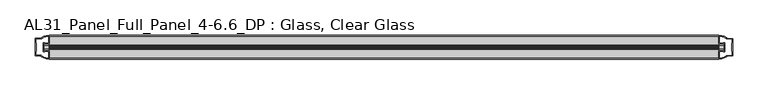
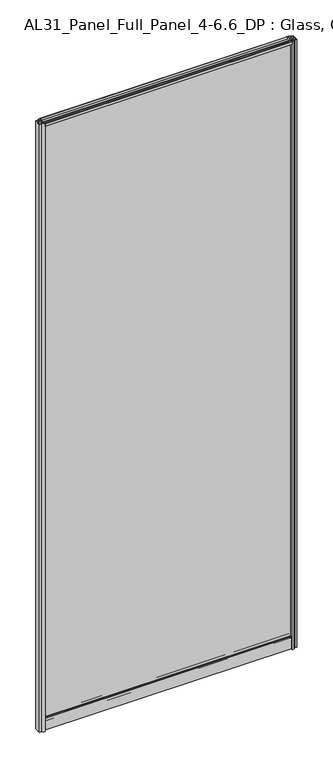
"""IFC4 building model written with IfcOpenShell, lengths in millimetres: plate geometry, AL31_Panel_Full_Panel_4-6.6_DP : Glass, Clear Glass."""

from ifc_helpers import new_model, si_unit, point, frame, frame_2d, origin, origin_with_axes, place, context, project, spatial, polyline, circle_curve, trimmed, segment, composite_curve, outline, extrude, source, transform, mapped, element, save


def al31_panel_full_panel_4_6_6_dp_glass_clear_glass_63db6cf2(model_context):
    return source(origin(), model_context, "Body", "SweptSolid", [
        extrude(outline(composite_curve([segment(trimmed(circle_curve(frame_2d((-19.957, 2461.8572926)), 3.0), [point((-18.457, 2464.4553688))], [point((-17.4851586, 2460.1572926))], False, "CARTESIAN"), True, "CONTINUOUS"), segment(polyline([(-17.4851586, 2460.1572926), (-4.157, 2460.1572926), (-4.157, 2469.5572926), (-2.857, 2469.5572926), (-2.857, 2459.0572926), (-13.1545312, 2459.0572926), (-13.1545312, 2458.2572926), (-13.6601218, 2456.3357964), (-13.6601218, 2451.6572926), (-14.857, 2451.6572926), (-14.857, 2456.9912672), (-14.357, 2457.8572926), (-14.357, 2459.0572926), (-25.357, 2459.0572926), (-25.357, 2457.8572926), (-24.857, 2456.9912672), (-24.857, 2451.6572926), (-26.0538782, 2451.6572926), (-26.0538782, 2456.3357964), (-26.5594688, 2458.2572926), (-26.5594688, 2459.0572926), (-36.857, 2459.0572926), (-36.857, 2469.5572926), (-35.557, 2469.5572926), (-35.557, 2460.1572926), (-22.4288414, 2460.1572926)]), True, "CONTINUOUS"), segment(trimmed(circle_curve(frame_2d((-19.957, 2461.8572926)), 3.0), [point((-22.4288414, 2460.1572926))], [point((-21.457, 2464.4553688))], False, "CARTESIAN"), True, "CONTINUOUS"), segment(polyline([(-21.457, 2464.4553688), (-20.907, 2463.5027409)]), True, "CONTINUOUS"), segment(trimmed(circle_curve(frame_2d((-19.957, 2461.8572926)), 1.9), [point((-20.907, 2463.5027409))], [point((-19.007, 2463.5027409))], True, "CARTESIAN"), True, "CONTINUOUS"), segment(polyline([(-19.007, 2463.5027409), (-18.457, 2464.4553688)]), True, "CONTINUOUS")], self_intersect=False)), frame((-475.0, 0.0, 0.0), z_axis=(1.0, 0.0, 0.0), x_axis=(0.0, 1.0, 0.0)), (0.0, 0.0, 1.0), 950.0),
        extrude(outline(composite_curve([segment(polyline([(-11.457, 35.8), (-28.257, 35.8)]), True, "CONTINUOUS"), segment(trimmed(circle_curve(frame_2d((-28.257, 34.8)), 1.0), [point((-28.257, 35.8))], [point((-29.257, 34.8))], True, "CARTESIAN"), True, "CONTINUOUS"), segment(polyline([(-29.257, 34.8), (-29.257, 33.5), (-24.8569697, 33.5), (-24.8569697, 32.3), (-29.257, 32.3), (-29.257, 0.0), (-30.457, 0.0), (-30.457, 47.3)]), True, "CONTINUOUS"), segment(trimmed(circle_curve(frame_2d((-28.457, 47.3)), 2.0), [point((-30.457, 47.3))], [point((-28.457, 49.3))], False, "CARTESIAN"), True, "CONTINUOUS"), segment(polyline([(-28.457, 49.3), (-24.857, 49.3), (-24.857, 41.9), (-14.857, 41.9), (-14.857, 49.3), (-11.257, 49.3)]), True, "CONTINUOUS"), segment(trimmed(circle_curve(frame_2d((-11.257, 47.3)), 2.0), [point((-11.257, 49.3))], [point((-9.257, 47.3))], False, "CARTESIAN"), True, "CONTINUOUS"), segment(polyline([(-9.257, 47.3), (-9.257, 0.0), (-10.457, 0.0), (-10.457, 32.3), (-14.8569697, 32.3), (-14.8569697, 33.5), (-10.457, 33.5), (-10.457, 34.8)]), True, "CONTINUOUS"), segment(trimmed(circle_curve(frame_2d((-11.457, 34.8)), 1.0), [point((-10.457, 34.8))], [point((-11.457, 35.8))], True, "CARTESIAN"), True, "CONTINUOUS")], self_intersect=False), holes=[composite_curve([segment(polyline([(-26.3594688, 41.8), (-26.3594688, 42.9)]), True, "CONTINUOUS"), segment(trimmed(circle_curve(frame_2d((-25.1594688, 42.9)), 1.2), [point((-26.3594688, 42.9))], [point((-25.9768184, 43.7786009))], False, "CARTESIAN"), True, "CONTINUOUS"), segment(polyline([(-25.9768184, 43.7786009), (-25.9768184, 48.2), (-28.257, 48.2)]), True, "CONTINUOUS"), segment(trimmed(circle_curve(frame_2d((-28.257, 47.2)), 1.0), [point((-28.257, 48.2))], [point((-29.257, 47.2))], True, "CARTESIAN"), True, "CONTINUOUS"), segment(polyline([(-29.257, 47.2), (-29.257, 37.04), (-22.6578965, 37.04), (-22.6578965, 38.0725806), (-21.6940508, 38.0725806)]), True, "CONTINUOUS"), segment(trimmed(circle_curve(frame_2d((-19.857, 39.1)), 2.1048387), [point((-21.6940508, 38.0725806))], [point((-18.0199492, 38.0725806))], True, "CARTESIAN"), True, "CONTINUOUS"), segment(polyline([(-18.0199492, 38.0725806), (-17.0561035, 38.0725806), (-17.0561035, 37.04), (-10.457, 37.04), (-10.457, 47.2)]), True, "CONTINUOUS"), segment(trimmed(circle_curve(frame_2d((-11.457, 47.2)), 1.0), [point((-10.457, 47.2))], [point((-11.457, 48.2))], True, "CARTESIAN"), True, "CONTINUOUS"), segment(polyline([(-11.457, 48.2), (-13.7371816, 48.2), (-13.7371816, 43.5786009)]), True, "CONTINUOUS"), segment(trimmed(circle_curve(frame_2d((-14.5545312, 42.7)), 1.2), [point((-13.7371816, 43.5786009))], [point((-13.3545312, 42.7))], False, "CARTESIAN"), True, "CONTINUOUS"), segment(polyline([(-13.3545312, 42.7), (-13.3545312, 41.8)]), True, "CONTINUOUS"), segment(trimmed(circle_curve(frame_2d((-14.3545312, 41.8)), 1.0), [point((-13.3545312, 41.8))], [point((-14.3545312, 40.8))], False, "CARTESIAN"), True, "CONTINUOUS"), segment(polyline([(-14.3545312, 40.8), (-17.0561035, 40.8), (-17.0561035, 39.7274194), (-18.0199492, 39.7274194)]), True, "CONTINUOUS"), segment(trimmed(circle_curve(frame_2d((-19.857, 38.7)), 2.1048387), [point((-18.0199492, 39.7274194))], [point((-21.6940508, 39.7274194))], True, "CARTESIAN"), True, "CONTINUOUS"), segment(polyline([(-21.6940508, 39.7274194), (-22.6578965, 39.7274194), (-22.6578965, 40.8), (-25.3594688, 40.8)]), True, "CONTINUOUS"), segment(trimmed(circle_curve(frame_2d((-25.3594688, 41.8)), 1.0), [point((-25.3594688, 40.8))], [point((-26.3594688, 41.8))], False, "CARTESIAN"), True, "CONTINUOUS")], self_intersect=False)]), frame((-475.0, 0.0, 0.0), z_axis=(1.0, 0.0, 0.0), x_axis=(0.0, 1.0, 0.0)), (0.0, 0.0, 1.0), 950.0),
        extrude(outline(composite_curve([segment(polyline([(-482.8414214, -25.757), (-481.6414214, -25.757), (-481.6414214, -24.857), (-475.0, -24.857), (-475.0, -36.8571453)]), True, "CONTINUOUS"), segment(trimmed(circle_curve(frame_2d((-474.6353484, -16.8604698)), 20.0), [point((-475.0, -36.8571453))], [point((-486.3558352, -33.0663388))], False, "CARTESIAN"), True, "CONTINUOUS"), segment(polyline([(-486.3558352, -33.0663388), (-486.3558352, -32.1849343), (-495.0, -32.1849343), (-495.0, -7.4849343), (-486.3558352, -7.4849343), (-486.3558352, -6.6474751)]), True, "CONTINUOUS"), segment(trimmed(circle_curve(frame_2d((-474.6353484, -22.8533441)), 20.0), [point((-486.3558352, -6.6474751))], [point((-475.0, -2.8566686))], False, "CARTESIAN"), True, "CONTINUOUS"), segment(polyline([(-475.0, -2.8566686), (-475.0, -14.857), (-481.6414214, -14.857), (-481.6414214, -13.957), (-482.8414214, -13.957), (-482.8414214, -25.757)]), True, "CONTINUOUS")], self_intersect=False), holes=[composite_curve([segment(trimmed(circle_curve(frame_2d((-481.8414214, -14.157)), 1.5), [point((-481.8414214, -12.657))], [point((-480.4861671, -13.5141269))], False, "CARTESIAN"), True, "CONTINUOUS"), segment(polyline([(-480.4861671, -13.5141269), (-476.7414214, -13.5141269), (-476.7414214, -8.917777), (-476.3020815, -7.8571168), (-476.3020815, -4.2070183)]), True, "CONTINUOUS"), segment(trimmed(circle_curve(frame_2d((-474.6353484, -22.8325921)), 18.7), [point((-476.3020815, -4.2070183))], [point((-484.6421262, -7.0353013))], True, "CARTESIAN"), True, "CONTINUOUS"), segment(trimmed(circle_curve(frame_2d((-486.4414214, -6.9849343)), 1.8), [point((-484.6421262, -7.0353013))], [point((-486.4414214, -8.7849343))], False, "CARTESIAN"), True, "CONTINUOUS"), segment(polyline([(-486.4414214, -8.7849343), (-493.5828427, -8.7849343), (-493.5828427, -13.3550394), (-493.1414214, -14.417777), (-493.1414214, -25.2520916), (-493.6414214, -26.2449987), (-493.6414214, -30.8849343), (-486.4414214, -30.8849343)]), True, "CONTINUOUS"), segment(trimmed(circle_curve(frame_2d((-486.4414214, -32.6849343)), 1.8), [point((-486.4414214, -30.8849343))], [point((-484.6421262, -32.6345673))], False, "CARTESIAN"), True, "CONTINUOUS"), segment(trimmed(circle_curve(frame_2d((-474.6353484, -16.8372765)), 18.7), [point((-484.6421262, -32.6345673))], [point((-476.3020815, -35.4628503))], True, "CARTESIAN"), True, "CONTINUOUS"), segment(polyline([(-476.3020815, -35.4628503), (-476.3020815, -31.8127518), (-476.7414214, -30.7520916), (-476.7414214, -26.1561308), (-480.4662696, -26.1561308)]), True, "CONTINUOUS"), segment(trimmed(circle_curve(frame_2d((-481.8414214, -25.557)), 1.5), [point((-480.4662696, -26.1561308))], [point((-481.8414214, -27.057))], False, "CARTESIAN"), True, "CONTINUOUS"), segment(polyline([(-481.8414214, -27.057), (-484.1414214, -27.057), (-484.1414214, -12.657), (-481.8414214, -12.657)]), True, "CONTINUOUS")], self_intersect=False)]), origin_with_axes(), (0.0, 0.0, 1.0), 2469.5572926),
        extrude(outline(composite_curve([segment(polyline([(482.8414214, -13.957), (481.6414214, -13.957), (481.6414214, -14.857), (475.0, -14.857), (475.0, -2.8568547)]), True, "CONTINUOUS"), segment(trimmed(circle_curve(frame_2d((474.6353484, -22.8535302)), 20.0), [point((475.0, -2.8568547))], [point((486.3558352, -6.6476612))], False, "CARTESIAN"), True, "CONTINUOUS"), segment(polyline([(486.3558352, -6.6476612), (486.3558352, -7.5290657), (495.0, -7.5290657), (495.0, -32.2290657), (486.3558352, -32.2290657), (486.3558352, -33.0665249)]), True, "CONTINUOUS"), segment(trimmed(circle_curve(frame_2d((474.6353484, -16.8606559)), 20.0), [point((486.3558352, -33.0665249))], [point((475.0, -36.8573314))], False, "CARTESIAN"), True, "CONTINUOUS"), segment(polyline([(475.0, -36.8573314), (475.0, -24.857), (481.6414214, -24.857), (481.6414214, -25.757), (482.8414214, -25.757), (482.8414214, -13.957)]), True, "CONTINUOUS")], self_intersect=False), holes=[composite_curve([segment(trimmed(circle_curve(frame_2d((481.8414214, -25.557)), 1.5), [point((481.8414214, -27.057))], [point((480.4861671, -26.1998731))], False, "CARTESIAN"), True, "CONTINUOUS"), segment(polyline([(480.4861671, -26.1998731), (476.7414214, -26.1998731), (476.7414214, -30.796223), (476.3020815, -31.8568832), (476.3020815, -35.5069817)]), True, "CONTINUOUS"), segment(trimmed(circle_curve(frame_2d((474.6353484, -16.8814079)), 18.7), [point((476.3020815, -35.5069817))], [point((484.6421262, -32.6786987))], True, "CARTESIAN"), True, "CONTINUOUS"), segment(trimmed(circle_curve(frame_2d((486.4414214, -32.7290657)), 1.8), [point((484.6421262, -32.6786987))], [point((486.4414214, -30.9290657))], False, "CARTESIAN"), True, "CONTINUOUS"), segment(polyline([(486.4414214, -30.9290657), (493.5828427, -30.9290657), (493.5828427, -26.3589606), (493.1414214, -25.296223), (493.1414214, -14.4619084), (493.6414214, -13.4690013), (493.6414214, -8.8290657), (486.4414214, -8.8290657)]), True, "CONTINUOUS"), segment(trimmed(circle_curve(frame_2d((486.4414214, -7.0290657)), 1.8), [point((486.4414214, -8.8290657))], [point((484.6421262, -7.0794327))], False, "CARTESIAN"), True, "CONTINUOUS"), segment(trimmed(circle_curve(frame_2d((474.6353484, -22.8767235)), 18.7), [point((484.6421262, -7.0794327))], [point((476.3020815, -4.2511497))], True, "CARTESIAN"), True, "CONTINUOUS"), segment(polyline([(476.3020815, -4.2511497), (476.3020815, -7.9012482), (476.7414214, -8.9619084), (476.7414214, -13.5578692), (480.4662696, -13.5578692)]), True, "CONTINUOUS"), segment(trimmed(circle_curve(frame_2d((481.8414214, -14.157)), 1.5), [point((480.4662696, -13.5578692))], [point((481.8414214, -12.657))], False, "CARTESIAN"), True, "CONTINUOUS"), segment(polyline([(481.8414214, -12.657), (484.1414214, -12.657), (484.1414214, -27.057), (481.8414214, -27.057)]), True, "CONTINUOUS")], self_intersect=False)]), origin_with_axes(), (0.0, 0.0, 1.0), 2469.5572926),
        extrude(outline(polyline([(482.8414214, -17.857), (482.8414214, -21.857), (-482.8414214, -21.857), (-482.8414214, -17.857), (482.8414214, -17.857)])), frame((0.0, 0.0, 41.9), z_axis=(0.0, 0.0, 1.0), x_axis=(1.0, 0.0, 0.0)), (0.0, 0.0, 1.0), 2417.1572926),
    ])


if __name__ == "__main__":
    model = new_model("IFC4")
    model_context = context("Model", 3, world=origin())
    ifc_project = project(units=[si_unit("LENGTHUNIT", "METRE", prefix="MILLI")], contexts=[model_context])
    site = spatial("IfcSite", under=ifc_project)
    building = spatial("IfcBuilding", under=site)
    placement = place(None, origin())
    al31_panel_full_panel_4_6_6_dp_glass_clear_glass_shape = al31_panel_full_panel_4_6_6_dp_glass_clear_glass_63db6cf2(model_context)
    element("IfcPlate", 1, ObjectType="AL31_Panel_Full_Panel_4-6.6_DP : Glass, Clear Glass", at=placement, inside=building, context=model_context, shape_type="MappedRepresentation", body=[
        mapped(al31_panel_full_panel_4_6_6_dp_glass_clear_glass_shape, transform((0.0, 0.0, 0.0), x_axis=(1.0, 0.0, 0.0), y_axis=(0.0, 1.0, 0.0), z_axis=(0.0, 0.0, 1.0))),
    ])
    save(model, "model.ifc")
